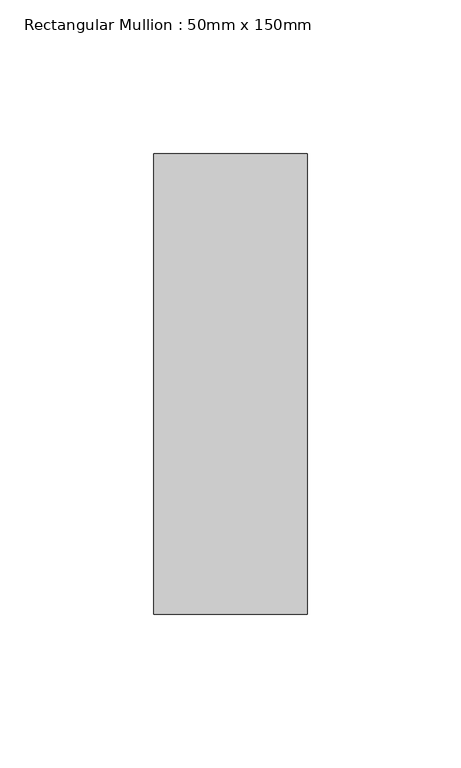
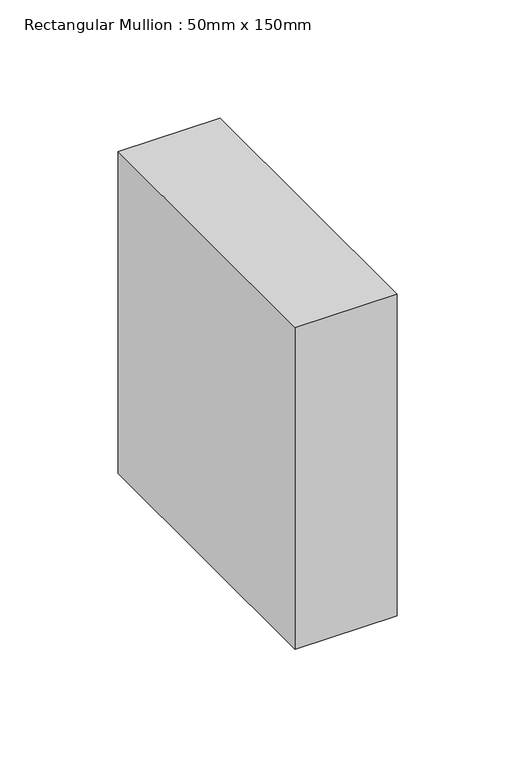
"""IFC4 building model written with IfcOpenShell, lengths in millimetres: member geometry, Rectangular Mullion : 50mm x 150mm."""

from ifc_helpers import new_model, si_unit, frame, origin, place, context, project, spatial, polyline, outline, extrude, source, transform, mapped, element, save


def rectangular_mullion_50mm_x_150mm_2b205ed5(model_context):
    return source(origin(), model_context, "Body", "SweptSolid", [
        extrude(outline(polyline([(25.0, 75.0), (25.0, -75.0), (-25.0, -75.0), (-25.0, 75.0), (25.0, 75.0)])), frame((0.0, 0.0, -166.4889528), z_axis=(0.0, 0.0, 1.0), x_axis=(1.0, 0.0, 0.0)), (0.0, 0.0, 1.0), 166.4889528),
    ])


if __name__ == "__main__":
    model = new_model("IFC4")
    model_context = context("Model", 3, world=origin())
    ifc_project = project(units=[si_unit("LENGTHUNIT", "METRE", prefix="MILLI")], contexts=[model_context])
    site = spatial("IfcSite", under=ifc_project)
    building = spatial("IfcBuilding", under=site)
    placement = place(None, origin())
    rectangular_mullion_50mm_x_150mm_shape = rectangular_mullion_50mm_x_150mm_2b205ed5(model_context)
    element("IfcMember", 1, ObjectType="Rectangular Mullion : 50mm x 150mm", at=placement, inside=building, context=model_context, shape_type="MappedRepresentation", body=[
        mapped(rectangular_mullion_50mm_x_150mm_shape, transform((0.0, 0.0, 0.0), x_axis=(1.0, 0.0, 0.0), y_axis=(0.0, 1.0, 0.0), z_axis=(0.0, 0.0, 1.0))),
    ])
    save(model, "model.ifc")
